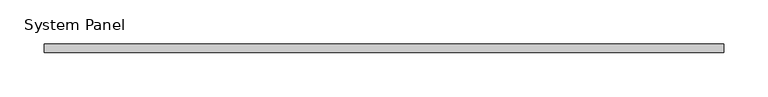
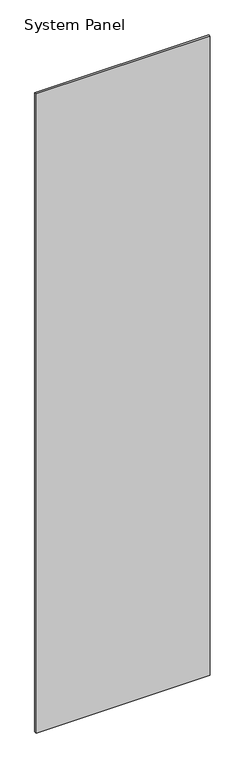
"""IFC4 building model written with IfcOpenShell, lengths in millimetres: plate geometry, System Panel."""

from ifc_helpers import new_model, si_unit, origin, origin_with_axes, place, context, project, spatial, polyline, outline, extrude, source, transform, mapped, element, save


def system_panel_a2173ea7(model_context):
    return source(origin(), model_context, "Body", "SweptSolid", [
        extrude(outline(polyline([(385.655, -5.0), (-385.655, -5.0), (-385.655, 5.0), (385.655, 5.0), (385.655, -5.0)])), origin_with_axes(), (0.0, 0.0, 1.0), 2991.6097048),
    ])


if __name__ == "__main__":
    model = new_model("IFC4")
    model_context = context("Model", 3, world=origin())
    ifc_project = project(units=[si_unit("LENGTHUNIT", "METRE", prefix="MILLI")], contexts=[model_context])
    site = spatial("IfcSite", under=ifc_project)
    building = spatial("IfcBuilding", under=site)
    placement = place(None, origin())
    system_panel_shape = system_panel_a2173ea7(model_context)
    element("IfcPlate", 1, ObjectType="System Panel", at=placement, inside=building, context=model_context, shape_type="MappedRepresentation", body=[
        mapped(system_panel_shape, transform((0.0, 0.0, 0.0), x_axis=(1.0, 0.0, 0.0), y_axis=(0.0, 1.0, 0.0), z_axis=(0.0, 0.0, 1.0))),
    ])
    save(model, "model.ifc")
